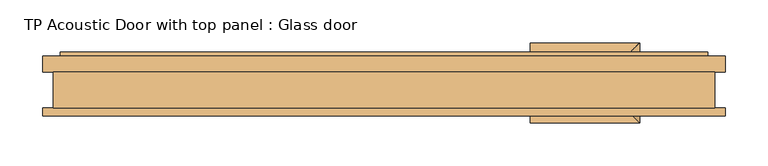
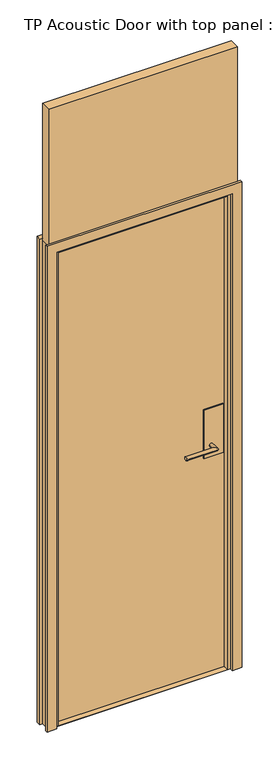
"""IFC4 building model written with IfcOpenShell, lengths in millimetres: door geometry, TP Acoustic Door with top panel : Glass door."""

from ifc_helpers import new_model, si_unit, frame, origin, origin_with_axes, place, context, project, spatial, polyline, circle_curve, ellipse_curve, outline, extrude, faceted_brep, source, transform, mapped, element, save
from ifc_brep_helpers import plane_surface, cylinder_surface, advanced_brep


def tp_acoustic_door_with_top_panel_glass_door_6ed00553(model_context):
    return source(origin(), model_context, "Body", "SolidModel", [
        advanced_brep(
        [(297.5, -0.5, 977.0), (282.5, -0.5, 977.0), (282.5, -23.0, 977.0), (297.5, -38.0, 977.0), (170.0, -38.0, 977.0), (170.0, -23.0, 977.0)],
        [
            (0, 1, circle_curve(frame((290.0, -0.5, 977.0), z_axis=(0.0, 1.0, 0.0), x_axis=(-1.0, 0.0, 0.0)), 7.5)),
            (1, 0, circle_curve(frame((290.0, -0.5, 977.0), z_axis=(0.0, 1.0, 0.0), x_axis=(-1.0, 0.0, 0.0)), 7.5)),
            (1, 2),
            (2, 3, ellipse_curve(frame((290.0, -30.5, 977.0), z_axis=(0.7071067811865475, 0.7071067811865475, 0.0), x_axis=(-0.7071067811865474, 0.7071067811865476, 0.0)), 10.6066017, 7.5)),
            (3, 0),
            (3, 2, ellipse_curve(frame((290.0, -30.5, 977.0), z_axis=(0.7071067811865475, 0.7071067811865475, 0.0), x_axis=(-0.7071067811865474, 0.7071067811865476, 0.0)), 10.6066017, 7.5)),
            (4, 5, circle_curve(frame((170.0, -30.5, 977.0), z_axis=(-1.0, 0.0, 0.0), x_axis=(0.0, 1.0, 0.0)), 7.5)),
            (5, 4, circle_curve(frame((170.0, -30.5, 977.0), z_axis=(-1.0, 0.0, 0.0), x_axis=(0.0, 1.0, 0.0)), 7.5)),
            (2, 5),
            (4, 3),
        ],
        [
            plane_surface(frame((290.0, -0.5, 977.0), z_axis=(0.0, 1.0, 0.0), x_axis=(0.0, 0.0, 1.0))),
            cylinder_surface(frame((290.0, -0.5, 977.0), z_axis=(0.0, 1.0, 0.0), x_axis=(-1.0, 0.0, 0.0)), 7.5),
            plane_surface(frame((170.0, -30.5, 977.0), z_axis=(-1.0, 0.0, 0.0), x_axis=(0.0, 0.0, 1.0))),
            cylinder_surface(frame((290.0, -30.5, 977.0), z_axis=(1.0, 0.0, 0.0), x_axis=(0.0, 1.0, 0.0)), 7.5),
        ],
        [
            (0, [[1, 2]]),
            (1, [[3, 4, 5, -2]]),
            (1, [[-5, 6, -3, -1]]),
            (2, [[7, 8]]),
            (3, [[9, -7, 10, -4]]),
            (3, [[-10, -8, -9, -6]]),
        ],
    ),
        advanced_brep(
        [(282.5, 17.5, 977.0), (297.5, 17.5, 977.0), (297.5, 55.0, 977.0), (282.5, 40.0, 977.0), (170.0, 40.0, 977.0), (170.0, 55.0, 977.0)],
        [
            (0, 1, circle_curve(frame((290.0, 17.5, 977.0), z_axis=(0.0, -1.0, 0.0), x_axis=(1.0, 0.0, 0.0)), 7.5)),
            (1, 0, circle_curve(frame((290.0, 17.5, 977.0), z_axis=(0.0, -1.0, 0.0), x_axis=(1.0, 0.0, 0.0)), 7.5)),
            (1, 2),
            (2, 3, ellipse_curve(frame((290.0, 47.5, 977.0), z_axis=(0.7071067811865475, -0.7071067811865475, 0.0), x_axis=(-0.7071067811865474, -0.7071067811865476, 0.0)), 10.6066017, 7.5)),
            (3, 0),
            (3, 2, ellipse_curve(frame((290.0, 47.5, 977.0), z_axis=(0.7071067811865475, -0.7071067811865475, 0.0), x_axis=(-0.7071067811865474, -0.7071067811865476, 0.0)), 10.6066017, 7.5)),
            (4, 5, circle_curve(frame((170.0, 47.5, 977.0), z_axis=(-1.0, 0.0, 0.0), x_axis=(0.0, 1.0, 0.0)), 7.5)),
            (5, 4, circle_curve(frame((170.0, 47.5, 977.0), z_axis=(-1.0, 0.0, 0.0), x_axis=(0.0, 1.0, 0.0)), 7.5)),
            (2, 5),
            (4, 3),
        ],
        [
            plane_surface(frame((290.0, 17.5, 977.0), z_axis=(0.0, -1.0, 0.0), x_axis=(0.0, 0.0, 1.0))),
            cylinder_surface(frame((290.0, 17.5, 977.0), z_axis=(0.0, -1.0, 0.0), x_axis=(1.0, 0.0, 0.0)), 7.5),
            plane_surface(frame((170.0, 47.5, 977.0), z_axis=(-1.0, 0.0, 0.0), x_axis=(0.0, 0.0, 1.0))),
            cylinder_surface(frame((290.0, 47.5, 977.0), z_axis=(1.0, 0.0, 0.0), x_axis=(0.0, 1.0, 0.0)), 7.5),
        ],
        [
            (0, [[1, 2]]),
            (1, [[3, 4, 5, -2]]),
            (1, [[-5, 6, -3, -1]]),
            (2, [[7, 8]]),
            (3, [[9, -7, 10, -4]]),
            (3, [[-10, -8, -9, -6]]),
        ],
    ),
        extrude(outline(polyline([(340.0, -0.5), (260.0, -0.5), (260.0, 17.5), (340.0, 17.5), (340.0, -0.5)])), frame((0.0, 0.0, 927.0), z_axis=(0.0, 0.0, 1.0), x_axis=(1.0, 0.0, 0.0)), (0.0, 0.0, 1.0), 210.0),
        faceted_brep([(385.0, -21.0, 0.0), (397.0, -21.0, 0.0), (397.0, -30.5, 0.0), (358.0, -30.5, 0.0), (358.0, -18.5, 0.0), (345.0, -18.5, 0.0), (345.0, 0.5, 0.0), (357.0, 0.5, 0.0), (357.0, 44.5, 0.0), (377.0, 44.5, 0.0), (377.0, 39.5, 0.0), (397.0, 39.5, 0.0), (397.0, 21.0, 0.0), (385.0, 21.0, 0.0), (385.0, -21.0, 2078.0), (-385.0, -21.0, 2078.0), (-385.0, -21.0, 0.0), (-397.0, -21.0, 0.0), (-397.0, -21.0, 2090.0), (397.0, -21.0, 2090.0), (397.0, -30.5, 2090.0), (-397.0, -30.5, 2090.0), (-397.0, -30.5, 0.0), (-358.0, -30.5, 0.0), (-358.0, -30.5, 2051.0), (358.0, -30.5, 2051.0), (358.0, -18.5, 2051.0), (-358.0, -18.5, 2051.0), (-358.0, -18.5, 0.0), (-345.0, -18.5, 0.0), (-345.0, -18.5, 2038.0), (345.0, -18.5, 2038.0), (345.0, 0.5, 2038.0), (-345.0, 0.5, 2038.0), (-345.0, 0.5, 0.0), (-357.0, 0.5, 0.0), (-357.0, 0.5, 2050.0), (357.0, 0.5, 2050.0), (357.0, 44.5, 2050.0), (-357.0, 44.5, 2050.0), (-357.0, 44.5, 0.0), (-377.0, 44.5, 0.0), (-377.0, 44.5, 2070.0), (377.0, 44.5, 2070.0), (377.0, 39.5, 2070.0), (-377.0, 39.5, 2070.0), (-377.0, 39.5, 0.0), (-397.0, 39.5, 0.0), (-397.0, 39.5, 2090.0), (397.0, 39.5, 2090.0), (397.0, 21.0, 2090.0), (-397.0, 21.0, 2090.0), (-397.0, 21.0, 0.0), (-385.0, 21.0, 0.0), (-385.0, 21.0, 2078.0), (385.0, 21.0, 2078.0)], [[[0, 1, 2, 3, 4, 5, 6, 7, 8, 9, 10, 11, 12, 13]], [[1, 0, 14, 15, 16, 17, 18, 19]], [[2, 1, 19, 20]], [[3, 2, 20, 21, 22, 23, 24, 25]], [[4, 3, 25, 26]], [[5, 4, 26, 27, 28, 29, 30, 31]], [[6, 5, 31, 32]], [[7, 6, 32, 33, 34, 35, 36, 37]], [[8, 7, 37, 38]], [[9, 8, 38, 39, 40, 41, 42, 43]], [[10, 9, 43, 44]], [[11, 10, 44, 45, 46, 47, 48, 49]], [[12, 11, 49, 50]], [[13, 12, 50, 51, 52, 53, 54, 55]], [[0, 13, 55, 14]], [[16, 53, 52, 47, 46, 41, 40, 35, 34, 29, 28, 23, 22, 17]], [[15, 54, 53, 16]], [[51, 48, 47, 52]], [[45, 42, 41, 46]], [[39, 36, 35, 40]], [[33, 30, 29, 34]], [[27, 24, 23, 28]], [[21, 18, 17, 22]], [[14, 55, 54, 15]], [[20, 19, 18, 21]], [[26, 25, 24, 27]], [[32, 31, 30, 33]], [[38, 37, 36, 39]], [[44, 43, 42, 45]], [[50, 49, 48, 51]]]),
        extrude(outline(polyline([(-350.0, 3.5), (-350.0, 13.5), (350.0, 13.5), (350.0, 3.5), (-350.0, 3.5)])), origin_with_axes(), (0.0, 0.0, 1.0), 2050.0),
        extrude(outline(polyline([(385.0, 21.0), (385.0, -21.0), (-385.0, -21.0), (-385.0, 21.0), (385.0, 21.0)])), frame((0.0, 0.0, 2078.0), z_axis=(0.0, 0.0, 1.0), x_axis=(1.0, 0.0, 0.0)), (0.0, 0.0, 1.0), 592.0),
        extrude(outline(polyline([(357.0, 44.5), (357.0, 0.5), (345.0, 0.5), (345.0, -18.5), (-345.0, -18.5), (-345.0, 0.5), (-357.0, 0.5), (-357.0, 44.5), (357.0, 44.5)])), origin_with_axes(), (0.0, 0.0, 1.0), 2.0),
    ])


if __name__ == "__main__":
    model = new_model("IFC4")
    model_context = context("Model", 3, world=origin())
    ifc_project = project(units=[si_unit("LENGTHUNIT", "METRE", prefix="MILLI")], contexts=[model_context])
    site = spatial("IfcSite", under=ifc_project)
    building = spatial("IfcBuilding", under=site)
    placement = place(None, origin())
    tp_acoustic_door_with_top_panel_glass_door_shape = tp_acoustic_door_with_top_panel_glass_door_6ed00553(model_context)
    element("IfcDoor", 1, ObjectType="TP Acoustic Door with top panel : Glass door", at=placement, inside=building, context=model_context, shape_type="MappedRepresentation", body=[
        mapped(tp_acoustic_door_with_top_panel_glass_door_shape, transform((0.0, 0.0, 0.0), x_axis=(1.0, 0.0, 0.0), y_axis=(0.0, 1.0, 0.0), z_axis=(0.0, 0.0, 1.0))),
    ])
    save(model, "model.ifc")
